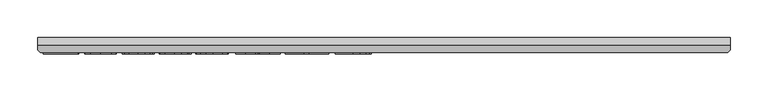
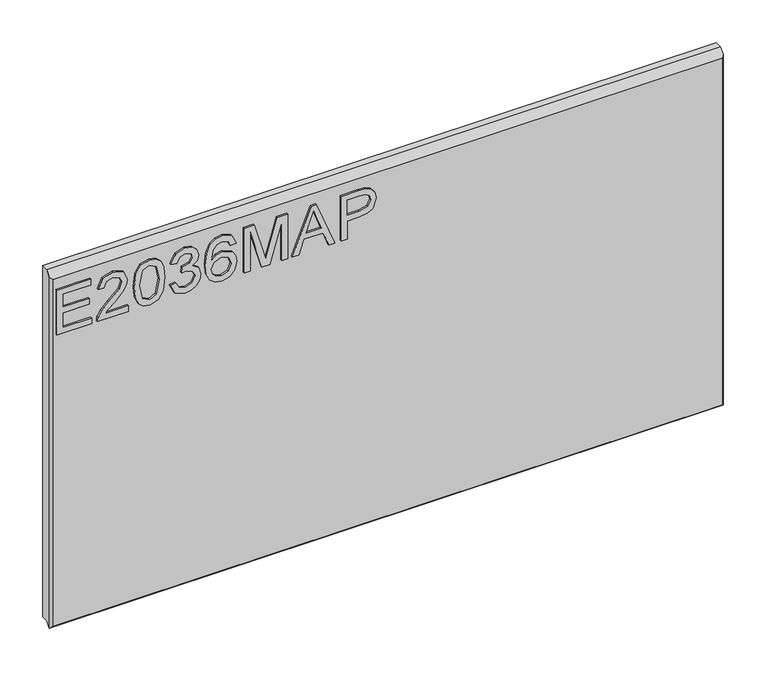
"""IFC4 building model written with IfcOpenShell, lengths in millimetres: furniture geometry."""

from ifc_helpers import new_model, si_unit, frame, origin, place, context, project, spatial, polyline, outline, extrude, faceted_brep, source, transform, mapped, element, save


def furniture_ceb54f00(model_context):
    return source(origin(), model_context, "Body", "SolidModel", [
        extrude(outline(polyline([(1546.0194188, -279.0852904), (1546.0194188, -232.2396877), (1553.9931384, -232.2396877), (1553.9931384, -271.1115708), (1574.9241524, -271.1115708), (1574.9241524, -235.2298325), (1582.897872, -235.2298325), (1582.897872, -271.1115708), (1601.8354561, -271.1115708), (1601.8354561, -233.2364026), (1609.8091757, -233.2364026), (1609.8091757, -279.0852904), (1546.0194188, -279.0852904)])), frame((0.0, -21.9273438, 0.0), z_axis=(0.0, 1.0, 0.0), x_axis=(0.0, 0.0, 1.0)), (0.0, 0.0, 1.0), 2.38125),
        extrude(outline(polyline([(1553.9931384, -182.40394), (1553.9931384, -213.7225927), (1558.0500797, -210.1250747), (1565.7201127, -200.9521824), (1576.645043, -189.5288946), (1584.4630259, -184.8178591), (1592.0240433, -183.400655), (1604.7010116, -188.656769), (1609.8091757, -202.9300386), (1605.2149427, -217.1565872), (1591.8683066, -223.2692531), (1590.8715916, -215.2955335), (1598.9231796, -211.9394073), (1601.8354561, -203.101349), (1598.8530981, -194.621485), (1591.5412595, -191.3743746), (1582.5085302, -194.8161559), (1569.2241887, -208.5832812), (1559.9812149, -218.5660044), (1551.5169247, -223.4094161), (1546.0194188, -224.265968), (1546.0194188, -182.40394), (1553.9931384, -182.40394)])), frame((0.0, -21.9273438, 0.0), z_axis=(0.0, 1.0, 0.0), x_axis=(0.0, 0.0, 1.0)), (0.0, 0.0, 1.0), 2.38125),
        extrude(outline(polyline([(1577.4003661, -174.4302204), (1561.8850962, -172.841706), (1551.0964355, -168.0761626), (1546.5411367, -161.7843995), (1545.0227038, -153.4992064), (1548.518993, -141.8267399), (1559.124663, -134.8886694), (1577.4003661, -132.5681924), (1592.3900245, -134.0165438), (1601.8276692, -137.7542249), (1607.7534511, -144.1861511), (1609.8091757, -153.4992064), (1606.336247, -165.1249519), (1595.7539375, -172.0863829), (1577.4003661, -174.4302204)]), holes=[polyline([(1577.4159397, -166.4565008), (1597.5682702, -162.5942304), (1601.8354561, -153.5926485), (1596.9920444, -144.1550038), (1577.4159397, -140.5419121), (1557.6295906, -144.2795931), (1552.9964234, -153.4992064), (1557.6140169, -162.7188197), (1577.4159397, -166.4565008)])]), frame((0.0, -21.9273438, 0.0), z_axis=(0.0, 1.0, 0.0), x_axis=(0.0, 0.0, 1.0)), (0.0, 0.0, 1.0), 2.38125),
        extrude(outline(polyline([(1562.9635729, -125.5911878), (1550.0218522, -119.2527036), (1545.0227038, -105.2675469), (1546.4866289, -96.7448554), (1550.8784041, -89.8340389), (1557.372625, -85.2553795), (1565.1438869, -83.7291598), (1575.5159519, -86.7815993), (1580.9667368, -95.4717078), (1586.2462113, -88.9307659), (1593.596984, -86.7193046), (1601.6407852, -89.0475685), (1607.6210749, -95.7753944), (1609.8091757, -105.3921363), (1605.3706794, -118.0691046), (1592.8650215, -124.5944728), (1591.8683066, -116.6207532), (1599.3436687, -112.7117617), (1601.8354561, -105.1118102), (1599.3670292, -97.6053007), (1593.1297739, -94.6930242), (1586.0904746, -98.7110314), (1583.8945869, -109.0363754), (1575.9208673, -109.9240746), (1576.7929929, -104.3331267), (1573.5303088, -95.2692501), (1565.2840499, -91.7028794), (1556.5316468, -95.3003974), (1552.9964234, -104.9872209), (1555.5660792, -113.2179061), (1563.9602879, -117.6174681), (1562.9635729, -125.5911878)])), frame((0.0, -21.9273438, 0.0), z_axis=(0.0, 1.0, 0.0), x_axis=(0.0, 0.0, 1.0)), (0.0, 0.0, 1.0), 2.38125),
        extrude(outline(polyline([(1592.8650215, -35.8868421), (1605.3083847, -41.7736898), (1609.8091757, -54.3727897), (1607.9909496, -63.6274438), (1602.5362713, -70.7718654), (1591.6775291, -76.0046189), (1575.7962779, -77.7488701), (1561.6709582, -76.177876), (1552.1865925, -71.4648938), (1546.813676, -64.2601242), (1545.0227038, -55.2137679), (1547.7247357, -44.7638346), (1555.5115713, -37.5220775), (1566.51437, -34.8901271), (1574.6866539, -36.2878641), (1581.2003418, -40.481075), (1586.8847318, -54.0301689), (1584.8056467, -62.7436379), (1578.443802, -69.7751504), (1592.6547769, -67.5091813), (1599.9043209, -62.0661832), (1601.8354561, -54.8711472), (1598.5182641, -46.8818539), (1591.8683066, -43.8605617), (1592.8650215, -35.8868421)]), holes=[polyline([(1566.6389593, -69.7751504), (1575.5237387, -65.8116511), (1578.9110122, -56.1637619), (1575.5237387, -46.3912832), (1566.2496175, -42.8638467), (1556.5627941, -46.4380043), (1552.9964234, -55.8367148), (1554.7173141, -63.023964), (1559.7320362, -67.9296704), (1566.6389593, -69.7751504)])]), frame((0.0, -21.9273438, 0.0), z_axis=(0.0, 1.0, 0.0), x_axis=(0.0, 0.0, 1.0)), (0.0, 0.0, 1.0), 2.38125),
        extrude(outline(polyline([(1546.0194188, -24.9229776), (1546.0194188, -16.949258), (1601.8354561, -16.949258), (1546.0194188, -0.9239504), (1546.0194188, 9.8841774), (1601.8354561, 25.909485), (1546.0194188, 25.909485), (1546.0194188, 33.8832046), (1609.8091757, 33.8832046), (1609.8091757, 20.1628003), (1565.6266707, 7.3300953), (1555.4570635, 4.4801135), (1564.8479871, 1.8481631), (1609.8091757, -11.2025733), (1609.8091757, -24.9229776), (1546.0194188, -24.9229776)])), frame((0.0, -21.9273438, 0.0), z_axis=(0.0, 1.0, 0.0), x_axis=(0.0, 0.0, 1.0)), (0.0, 0.0, 1.0), 2.38125),
        extrude(outline(polyline([(1546.0194188, 40.4085728), (1546.0194188, 48.8339289), (1565.9537178, 56.122407), (1565.9537178, 82.3951902), (1546.0194188, 89.6992419), (1546.0194188, 98.124598), (1609.8091757, 72.6616457), (1609.8091757, 65.8715251), (1546.0194188, 40.4085728)]), holes=[polyline([(1573.9274374, 59.0502571), (1590.9806073, 65.2952993), (1601.8354561, 69.2665854), (1589.6101242, 73.736229), (1573.9274374, 79.4829137), (1573.9274374, 59.0502571)])]), frame((0.0, -21.9273438, 0.0), z_axis=(0.0, 1.0, 0.0), x_axis=(0.0, 0.0, 1.0)), (0.0, 0.0, 1.0), 2.38125),
        extrude(outline(polyline([(1546.0194188, 106.6433961), (1546.0194188, 114.6171157), (1571.9340075, 114.6171157), (1571.9340075, 130.8293074), (1573.3434247, 142.1572064), (1577.5716765, 149.3541892), (1591.3543754, 154.4857138), (1600.0522707, 152.5857259), (1606.2194445, 147.563217), (1609.2018025, 139.8153156), (1609.8091757, 130.2842289), (1609.8091757, 106.6433961), (1546.0194188, 106.6433961)]), holes=[polyline([(1579.9077271, 114.6171157), (1601.8354561, 114.6171157), (1601.8354561, 131.1096335), (1601.2903776, 139.0833531), (1597.6772859, 144.4640564), (1591.0740493, 146.5119942), (1582.8355773, 143.0390655), (1579.9077271, 131.2965175), (1579.9077271, 114.6171157)])]), frame((0.0, -21.9273438, 0.0), z_axis=(0.0, 1.0, 0.0), x_axis=(0.0, 0.0, 1.0)), (0.0, 0.0, 1.0), 2.38125),
        faceted_brep([(628.3377049, 0.0, 1634.9194187), (-286.0622951, 0.0, 1634.9194187), (-286.0622951, -9.7234375, 1634.9194187), (628.3377049, -9.7234375, 1634.9194187), (-286.0622951, 0.0, 1130.3476364), (628.3377049, 0.0, 1130.3476364), (628.3377049, -10.0210916, 1130.3476364), (-286.0622951, -10.0210916, 1130.3476364), (-286.0622951, -16.3710916, 1123.9976364), (-286.0622951, -16.3710938, 1628.2717625), (625.1627049, -19.5460937, 1625.0967625), (-282.8872951, -19.5460937, 1625.0967625), (-282.8872951, -19.5460937, 1127.1726364), (625.162707, -19.5460937, 1127.1726364), (628.3377049, -16.3710938, 1628.2717625), (628.3377049, -16.3710938, 1123.9976364)], [[[0, 1, 2, 3]], [[4, 5, 6, 7]], [[1, 4, 7, 8, 9, 2]], [[10, 11, 12, 13]], [[5, 0, 3, 14, 15, 6]], [[1, 0, 5, 4]], [[3, 2, 9, 11, 10, 14]], [[6, 15, 8, 7]], [[8, 15, 13, 12]], [[9, 8, 12, 11]], [[10, 13, 15, 14]]]),
    ])


if __name__ == "__main__":
    model = new_model("IFC4")
    model_context = context("Model", 3, world=origin())
    ifc_project = project(units=[si_unit("LENGTHUNIT", "METRE", prefix="MILLI")], contexts=[model_context])
    site = spatial("IfcSite", under=ifc_project)
    building = spatial("IfcBuilding", under=site)
    placement = place(None, origin())
    furniture_shape = furniture_ceb54f00(model_context)
    element("IfcFurniture", 1, at=placement, inside=building, context=model_context, shape_type="MappedRepresentation", body=[
        mapped(furniture_shape, transform((0.0, 0.0, 0.0), x_axis=(1.0, 0.0, 0.0), y_axis=(0.0, 1.0, 0.0), z_axis=(0.0, 0.0, 1.0))),
    ])
    save(model, "model.ifc")
